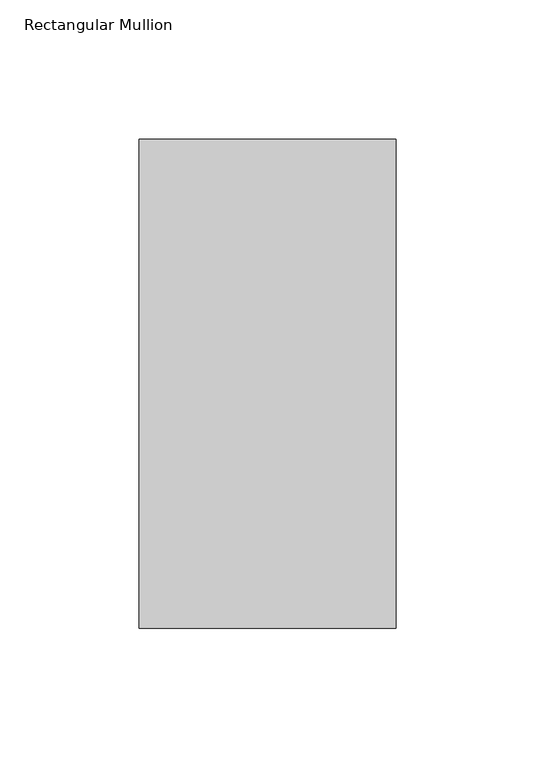
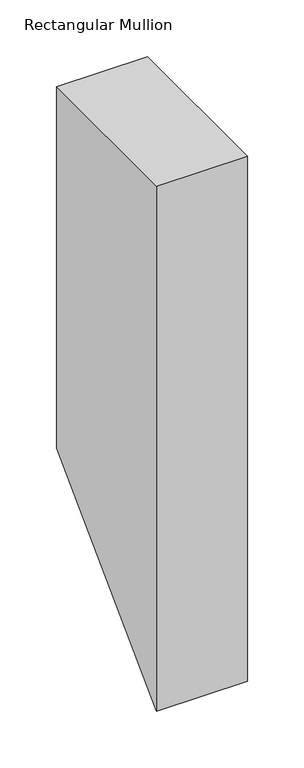
"""IFC4 building model written with IfcOpenShell, lengths in millimetres: member geometry, Rectangular Mullion."""

from ifc_helpers import new_model, si_unit, frame, origin, place, context, project, spatial, polyline, outline, extrude, source, transform, mapped, element, save


def rectangular_mullion_a568a01f(model_context):
    return source(origin(), model_context, "Body", "SweptSolid", [
        extrude(outline(polyline([(46.7447302, 0.0), (222.1571312, 0.0), (222.1571312, -387.4428688), (46.7447302, -562.8552698), (46.7447302, 0.0)])), frame((-92.0876999, 0.0, 0.0), z_axis=(1.0, 0.0, 0.0), x_axis=(0.0, 1.0, 0.0)), (0.0, 0.0, 1.0), 92.0876999),
    ])


if __name__ == "__main__":
    model = new_model("IFC4")
    model_context = context("Model", 3, world=origin())
    ifc_project = project(units=[si_unit("LENGTHUNIT", "METRE", prefix="MILLI")], contexts=[model_context])
    site = spatial("IfcSite", under=ifc_project)
    building = spatial("IfcBuilding", under=site)
    placement = place(None, origin())
    rectangular_mullion_shape = rectangular_mullion_a568a01f(model_context)
    element("IfcMember", 1, ObjectType="Rectangular Mullion", at=placement, inside=building, context=model_context, shape_type="MappedRepresentation", body=[
        mapped(rectangular_mullion_shape, transform((0.0, 0.0, 0.0), x_axis=(1.0, 0.0, 0.0), y_axis=(0.0, 1.0, 0.0), z_axis=(0.0, 0.0, 1.0))),
    ])
    save(model, "model.ifc")
